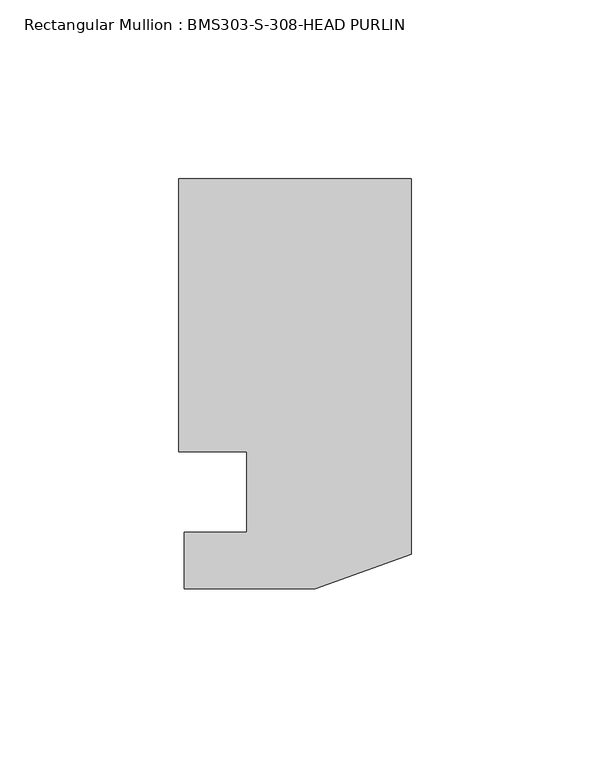
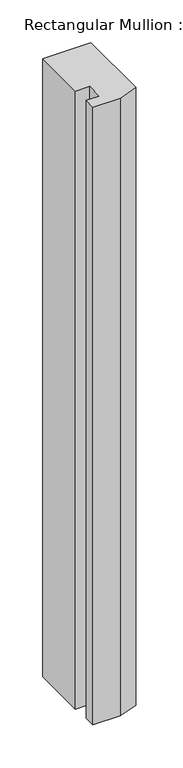
"""IFC4 building model written with IfcOpenShell, lengths in millimetres: member geometry, Rectangular Mullion : BMS303-S-308-HEAD PURLIN."""

from ifc_helpers import new_model, si_unit, frame, origin, place, context, project, spatial, polyline, outline, extrude, source, transform, mapped, element, save


def rectangular_mullion_bms303_s_308_head_purlin_7104641a(model_context):
    return source(origin(), model_context, "Body", "SweptSolid", [
        extrude(outline(polyline([(-46.0375, 62.309375), (-65.0748, 62.309375), (-65.0748, 138.839575), (0.0, 138.839575), (0.0, 33.734375), (-26.8478, 23.980775), (-63.5, 23.980775), (-63.5, 39.830375), (-46.0375, 39.830375), (-46.0375, 62.309375)])), frame((0.0, 0.0, -882.65), z_axis=(0.0, 0.0, 1.0), x_axis=(1.0, 0.0, 0.0)), (0.0, 0.0, 1.0), 882.65),
    ])


if __name__ == "__main__":
    model = new_model("IFC4")
    model_context = context("Model", 3, world=origin())
    ifc_project = project(units=[si_unit("LENGTHUNIT", "METRE", prefix="MILLI")], contexts=[model_context])
    site = spatial("IfcSite", under=ifc_project)
    building = spatial("IfcBuilding", under=site)
    placement = place(None, origin())
    rectangular_mullion_bms303_s_308_head_purlin_shape = rectangular_mullion_bms303_s_308_head_purlin_7104641a(model_context)
    element("IfcMember", 1, ObjectType="Rectangular Mullion : BMS303-S-308-HEAD PURLIN", at=placement, inside=building, context=model_context, shape_type="MappedRepresentation", body=[
        mapped(rectangular_mullion_bms303_s_308_head_purlin_shape, transform((0.0, 0.0, 0.0), x_axis=(1.0, 0.0, 0.0), y_axis=(0.0, 1.0, 0.0), z_axis=(0.0, 0.0, 1.0))),
    ])
    save(model, "model.ifc")
